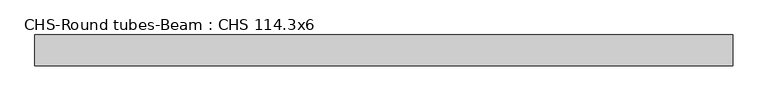
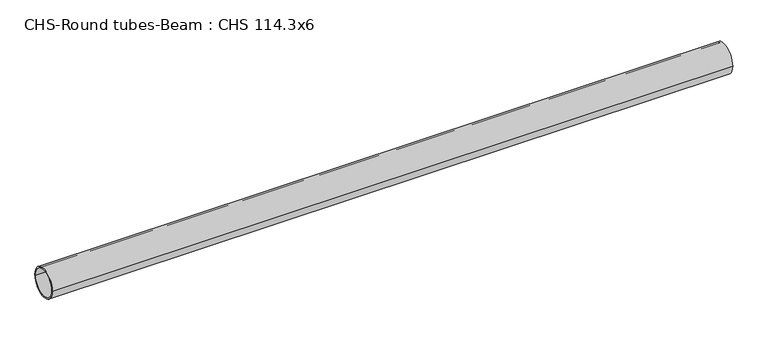
"""IFC4 building model written with IfcOpenShell, lengths in millimetres: beam geometry, CHS-Round tubes-Beam : CHS 114.3x6."""

from ifc_helpers import new_model, si_unit, point, frame, origin, origin_2d, place, context, project, spatial, circle_curve, trimmed, segment, composite_curve, outline, extrude, source, transform, mapped, element, save


def chs_round_tubes_beam_chs_114_3x6_4c1b7a83(model_context):
    return source(origin(), model_context, "Body", "SweptSolid", [
        extrude(outline(composite_curve([segment(trimmed(circle_curve(origin_2d(), 57.15), [point((57.15, 0.0))], [point((-57.15, 0.0))], False, "CARTESIAN"), True, "CONTINUOUS"), segment(trimmed(circle_curve(origin_2d(), 57.15), [point((-57.15, 0.0))], [point((57.15, 0.0))], False, "CARTESIAN"), True, "CONTINUOUS")], self_intersect=False), holes=[composite_curve([segment(trimmed(circle_curve(origin_2d(), 51.15), [point((51.15, 0.0))], [point((-51.15, 0.0))], True, "CARTESIAN"), True, "CONTINUOUS"), segment(trimmed(circle_curve(origin_2d(), 51.15), [point((-51.15, 0.0))], [point((51.15, 0.0))], True, "CARTESIAN"), True, "CONTINUOUS")], self_intersect=False)]), frame((-1253.8037651, 0.0, 0.0), z_axis=(1.0, 0.0, 0.0), x_axis=(0.0, 1.0, 0.0)), (0.0, 0.0, 1.0), 2582.141879),
    ])


if __name__ == "__main__":
    model = new_model("IFC4")
    model_context = context("Model", 3, world=origin())
    ifc_project = project(units=[si_unit("LENGTHUNIT", "METRE", prefix="MILLI")], contexts=[model_context])
    site = spatial("IfcSite", under=ifc_project)
    building = spatial("IfcBuilding", under=site)
    placement = place(None, origin())
    chs_round_tubes_beam_chs_114_3x6_shape = chs_round_tubes_beam_chs_114_3x6_4c1b7a83(model_context)
    element("IfcBeam", 1, ObjectType="CHS-Round tubes-Beam : CHS 114.3x6", at=placement, inside=building, context=model_context, shape_type="MappedRepresentation", body=[
        mapped(chs_round_tubes_beam_chs_114_3x6_shape, transform((0.0, 0.0, 0.0), x_axis=(1.0, 0.0, 0.0), y_axis=(0.0, 1.0, 0.0), z_axis=(0.0, 0.0, 1.0))),
    ])
    save(model, "model.ifc")
